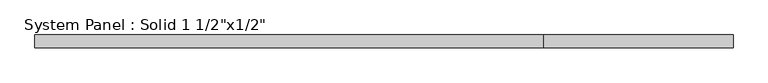
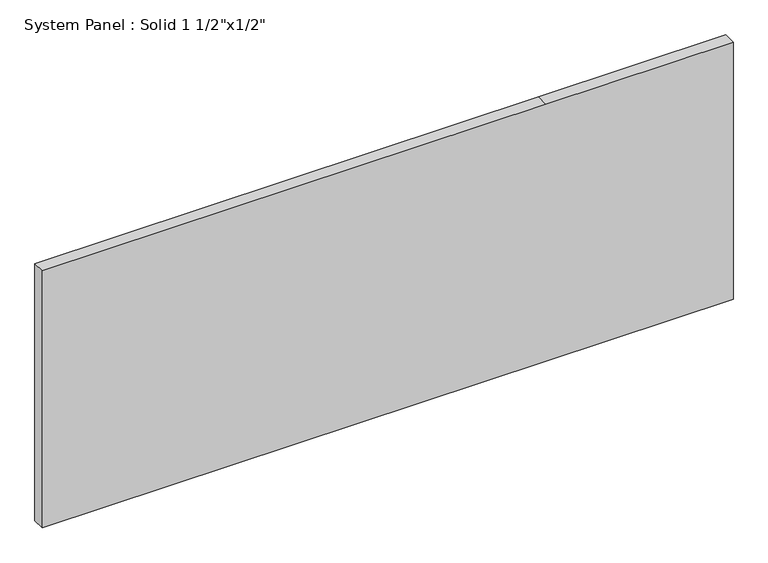
"""IFC4 building model written with IfcOpenShell, lengths in millimetres: plate geometry."""

from ifc_helpers import new_model, si_unit, frame, origin, place, context, project, spatial, polyline, outline, extrude, source, transform, mapped, element, save


def plate_c52f1f2e(model_context):
    return source(origin(), model_context, "Body", "SweptSolid", [
        extrude(outline(polyline([(0.0, -1042.5473053), (0.0, 477.3973053), (0.0, 1042.5473053), (819.6220775, 1042.5473053), (819.6220775, 477.3973053), (819.6220775, -1042.5473053), (0.0, -1042.5473053)])), frame((0.0, -6.35, 0.0), z_axis=(0.0, 1.0, 0.0), x_axis=(0.0, 0.0, 1.0)), (0.0, 0.0, 1.0), 38.1),
    ])


if __name__ == "__main__":
    model = new_model("IFC4")
    model_context = context("Model", 3, world=origin())
    ifc_project = project(units=[si_unit("LENGTHUNIT", "METRE", prefix="MILLI")], contexts=[model_context])
    site = spatial("IfcSite", under=ifc_project)
    building = spatial("IfcBuilding", under=site)
    placement = place(None, origin())
    plate_shape = plate_c52f1f2e(model_context)
    element("IfcPlate", 1, ObjectType="System Panel : Solid 1 1/2\"x1/2\"", at=placement, inside=building, context=model_context, shape_type="MappedRepresentation", body=[
        mapped(plate_shape, transform((0.0, 0.0, 0.0), x_axis=(1.0, 0.0, 0.0), y_axis=(0.0, 1.0, 0.0), z_axis=(0.0, 0.0, 1.0))),
    ])
    save(model, "model.ifc")
